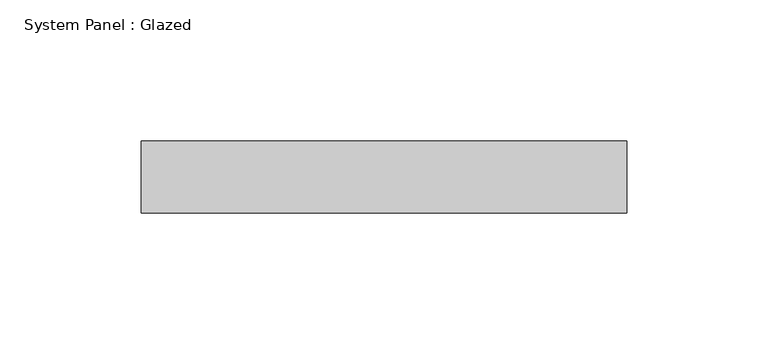
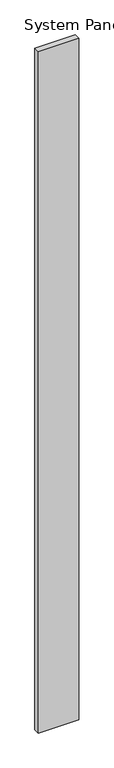
"""IFC4 building model written with IfcOpenShell, lengths in millimetres: plate geometry, System Panel : Glazed."""

import ifcopenshell
import ifcopenshell.guid

model = None  # the IFC model being written
_history = None  # IfcOwnerHistory: only IFC2X3 demands one
_inside = {}  # id of a spatial element -> (the spatial element, [elements in it])
_under = {}  # id of a project, library or spatial element -> (it, [spatial elements below it])
_declared = {}  # id of a project -> (the project, [libraries it declares])
_typed = {}  # id of a type object -> (the type object, [elements of that type])
_made_of = {}  # id of a material, layer set ... -> (it, [elements and type objects made of it])


def new_model(schema):
    """Start an empty IFC model of exactly this schema.

    Asked for "IFC4X3", IfcOpenShell would pick the latest addendum, in which some entities
    have other attributes; the version numbers below select the first issue.
    IFC2X3 requires an IfcOwnerHistory on every rooted entity: one is made here for all.
    """
    global model, _history
    if schema == "IFC4X3":
        model = ifcopenshell.file(schema_version=(4, 3, 0, 0))
    else:
        model = ifcopenshell.file(schema=schema)
    _inside.clear()
    _under.clear()
    _declared.clear()
    _typed.clear()
    _made_of.clear()
    _history = None
    if model.schema == "IFC2X3":
        org = make("IfcOrganization", Name="unknown")
        user = make(
            "IfcPersonAndOrganization",
            ThePerson=make("IfcPerson", FamilyName="unknown"),
            TheOrganization=org,
        )
        app = make(
            "IfcApplication",
            ApplicationDeveloper=org,
            Version="unknown",
            ApplicationFullName="unknown",
            ApplicationIdentifier="unknown",
        )
        _history = make(
            "IfcOwnerHistory",
            OwningUser=user,
            OwningApplication=app,
            ChangeAction="ADDED",
            CreationDate=0,
        )
    return model


def make(cls, **values):
    """One entity of the class cls with the attributes given. An attribute that is None is left unset."""
    return model.create_entity(
        cls, **{name: value for name, value in values.items() if value is not None}
    )


def rooted(cls, **values):
    """An entity with a GlobalId (a new one), such as an element, a storey or a relation."""
    return make(cls, GlobalId=ifcopenshell.guid.new(), OwnerHistory=_history, **values)


def si_unit(unit_type, name, prefix=None):
    """IfcSIUnit, for example si_unit("LENGTHUNIT", "METRE", prefix="MILLI")."""
    return make("IfcSIUnit", UnitType=unit_type, Prefix=prefix, Name=name)


def assignment(units):
    """IfcUnitAssignment: the units of a project."""
    return None if units is None else make("IfcUnitAssignment", Units=units)


def point(xyz):
    """IfcCartesianPoint."""
    return None if xyz is None else make("IfcCartesianPoint", Coordinates=xyz)


def direction(xyz):
    """IfcDirection."""
    return None if xyz is None else make("IfcDirection", DirectionRatios=xyz)


def frame(location, z_axis=None, x_axis=None):
    """IfcAxis2Placement3D, a coordinate frame: its origin and axes. An axis left out is left unset."""
    return make(
        "IfcAxis2Placement3D",
        Location=point(location),
        Axis=direction(z_axis),
        RefDirection=direction(x_axis),
    )


def origin():
    """The frame at (0, 0, 0) with its axes left unset."""
    return frame((0.0, 0.0, 0.0))


def origin_with_axes():
    """The frame at (0, 0, 0) with the z axis (0, 0, 1) and the x axis (1, 0, 0) written out."""
    return frame((0.0, 0.0, 0.0), z_axis=(0.0, 0.0, 1.0), x_axis=(1.0, 0.0, 0.0))


def place(relative_to, where):
    """IfcLocalPlacement: puts the frame where relative to a parent placement (None: the world)."""
    return make(
        "IfcLocalPlacement", PlacementRelTo=relative_to, RelativePlacement=where
    )


def context(
    kind, dimensions, precision=None, world=None, true_north=None, identifier=None
):
    """IfcGeometricRepresentationContext, for example the 3D "Model" context."""
    return make(
        "IfcGeometricRepresentationContext",
        ContextIdentifier=identifier,
        ContextType=kind,
        CoordinateSpaceDimension=dimensions,
        Precision=precision,
        WorldCoordinateSystem=world,
        TrueNorth=true_north,
    )


def project(units=None, contexts=None):
    """IfcProject with its units and contexts."""
    return rooted(
        "IfcProject",
        Name="project",
        RepresentationContexts=contexts,
        UnitsInContext=assignment(units),
    )


def spatial(cls, under=None, at=None, **own):
    """A site, building, storey or space (cls), placed at a placement, below another one or the project."""
    s = rooted(cls, ObjectPlacement=at, **own)
    if under is not None:
        _under.setdefault(under.id(), (under, []))[1].append(s)
    return s


def polyline(points):
    """IfcPolyline through the points."""
    return make("IfcPolyline", Points=[point(p) for p in points])


def outline(outer, holes=None, kind="AREA"):
    """IfcArbitraryClosedProfileDef: a profile drawn as a closed curve; with holes, ...WithVoids."""
    if holes is None:
        return make("IfcArbitraryClosedProfileDef", ProfileType=kind, OuterCurve=outer)
    return make(
        "IfcArbitraryProfileDefWithVoids",
        ProfileType=kind,
        OuterCurve=outer,
        InnerCurves=holes,
    )


def extrude(swept, where, along, depth):
    """IfcExtrudedAreaSolid: the profile swept, set in the frame where, extruded along a direction by depth."""
    return make(
        "IfcExtrudedAreaSolid",
        SweptArea=swept,
        Position=where,
        ExtrudedDirection=direction(along),
        Depth=depth,
    )


def shape(context_of_items, identifier, shape_type, items):
    """IfcShapeRepresentation: the items that make up one representation, for example the "Body"."""
    return make(
        "IfcShapeRepresentation",
        ContextOfItems=context_of_items,
        RepresentationIdentifier=identifier,
        RepresentationType=shape_type,
        Items=items,
    )


def source(mapping_origin, context_of_items, identifier, shape_type, items):
    """IfcRepresentationMap: a shape defined once, which mapped items show again and again."""
    return make(
        "IfcRepresentationMap",
        MappingOrigin=mapping_origin,
        MappedRepresentation=shape(context_of_items, identifier, shape_type, items),
    )


def transform(
    local_origin,
    x_axis=None,
    y_axis=None,
    z_axis=None,
    scale=None,
    scale2=None,
    scale3=None,
    uniform=True,
):
    """IfcCartesianTransformationOperator3D, or its non-uniform kind. x_axis, y_axis, z_axis: its Axis1, 2, 3."""
    if uniform:
        return make(
            "IfcCartesianTransformationOperator3D",
            Axis1=direction(x_axis),
            Axis2=direction(y_axis),
            LocalOrigin=point(local_origin),
            Scale=scale,
            Axis3=direction(z_axis),
        )
    return make(
        "IfcCartesianTransformationOperator3DnonUniform",
        Axis1=direction(x_axis),
        Axis2=direction(y_axis),
        LocalOrigin=point(local_origin),
        Scale=scale,
        Axis3=direction(z_axis),
        Scale2=scale2,
        Scale3=scale3,
    )


def mapped(mapping_source, mapping_target):
    """IfcMappedItem: shows the shape of a source again, moved by a transform."""
    return make(
        "IfcMappedItem", MappingSource=mapping_source, MappingTarget=mapping_target
    )


def made_of(thing, what):
    """Note that an element or type object is made of a material, layer set ...; save() writes the relation."""
    if what is not None:
        _made_of.setdefault(what.id(), (what, []))[1].append(thing)
    return thing


def element(
    cls,
    number,
    at=None,
    inside=None,
    cuts=None,
    type_object=None,
    material=None,
    context=None,
    identifier="Body",
    shape_type=None,
    held_by="IfcProductDefinitionShape",
    body=None,
    shapes=None,
    **own,
):
    """One element of the class cls, such as IfcWall. Its Tag is "e" and its number.

    at: its placement. inside: the storey or other place that contains it. cuts: it is an
    opening in that element (IfcRelVoidsElement). A single representation is given by context,
    identifier, shape_type and body (its items); several are given by shapes. held_by: the class
    of the entity that holds the representations. save() writes the other relations.
    """
    e = rooted(cls, Tag="e%d" % number, ObjectPlacement=at, **own)
    if body is not None:
        shapes = [shape(context, identifier, shape_type, body)]
    if shapes is not None:
        e.Representation = make(held_by, Representations=shapes)
    if inside is not None:
        _inside.setdefault(inside.id(), (inside, []))[1].append(e)
    if cuts is not None:
        rooted(
            "IfcRelVoidsElement", RelatingBuildingElement=cuts, RelatedOpeningElement=e
        )
    if type_object is not None:
        _typed.setdefault(type_object.id(), (type_object, []))[1].append(e)
    return made_of(e, material)


def aggregate(whole, parts):
    """IfcRelAggregates: a whole, such as a stair, and the parts it consists of."""
    return rooted("IfcRelAggregates", RelatingObject=whole, RelatedObjects=parts)


def save(model, path):
    """Write the relations noted so far, then the file.

    IfcRelAggregates (storeys below a building ...), IfcRelContainedInSpatialStructure (elements
    in a storey), IfcRelDefinesByType, IfcRelAssociatesMaterial and IfcRelDeclares: one each for
    every whole, place, type object, material and project.
    """
    for whole, parts in _under.values():
        aggregate(whole, parts)
    for where, things in _inside.values():
        rooted(
            "IfcRelContainedInSpatialStructure",
            RelatedElements=things,
            RelatingStructure=where,
        )
    for kind, things in _typed.values():
        rooted("IfcRelDefinesByType", RelatedObjects=things, RelatingType=kind)
    for what, things in _made_of.values():
        rooted("IfcRelAssociatesMaterial", RelatedObjects=things, RelatingMaterial=what)
    for by, libraries in _declared.values():
        rooted("IfcRelDeclares", RelatingContext=by, RelatedDefinitions=libraries)
    model.write(path)


def system_panel_glazed_6d4e95e8(model_context):
    return source(origin(), model_context, "Body", "SweptSolid", [
        extrude(outline(polyline([(85.725, 25.4), (-85.725, 25.4), (-85.725, 50.8), (85.725, 50.8), (85.725, 25.4)])), origin_with_axes(), (0.0, 0.0, 1.0), 3048.0),
    ])


if __name__ == "__main__":
    model = new_model("IFC4")
    model_context = context("Model", 3, world=origin())
    ifc_project = project(units=[si_unit("LENGTHUNIT", "METRE", prefix="MILLI")], contexts=[model_context])
    site = spatial("IfcSite", under=ifc_project)
    building = spatial("IfcBuilding", under=site)
    placement = place(None, origin())
    system_panel_glazed_shape = system_panel_glazed_6d4e95e8(model_context)
    element("IfcPlate", 1, ObjectType="System Panel : Glazed", at=placement, inside=building, context=model_context, shape_type="MappedRepresentation", body=[
        mapped(system_panel_glazed_shape, transform((0.0, 0.0, 0.0), x_axis=(1.0, 0.0, 0.0), y_axis=(0.0, 1.0, 0.0), z_axis=(0.0, 0.0, 1.0))),
    ])
    save(model, "model.ifc")
